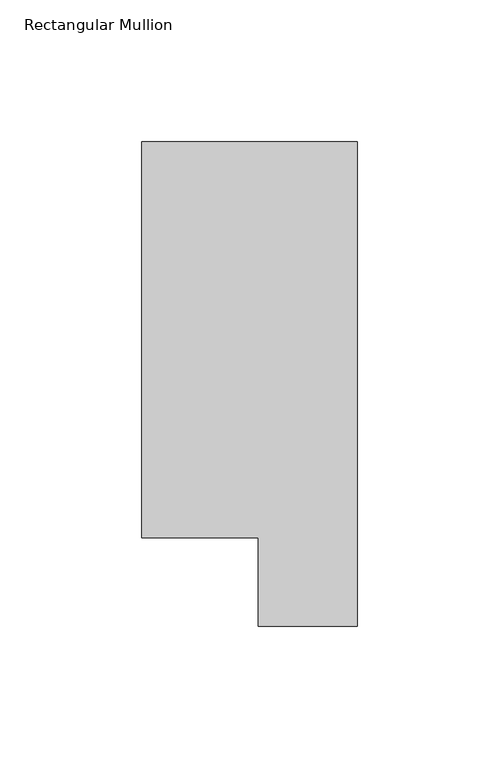
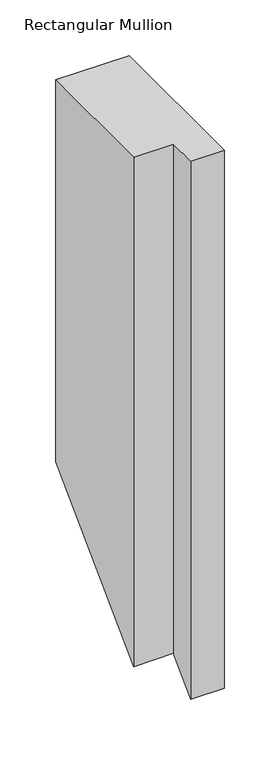
"""IFC4 building model written with IfcOpenShell, lengths in millimetres: member geometry, Rectangular Mullion."""

from ifc_helpers import new_model, si_unit, origin, place, context, project, spatial, faceted_brep, source, transform, mapped, element, save


def rectangular_mullion_0a1800b5(model_context):
    return source(origin(), model_context, "Body", "Brep", [
        faceted_brep([(-76.2, 190.7881317, 0.0), (-76.2, 50.8087306, 0.0), (-34.9123, 50.8087306, 0.0), (-34.9123, 19.5667317, 0.0), (0.0, 19.5667317, 0.0), (0.0, 190.7881317, 0.0), (-76.2, 190.7881317, -418.7801183), (-76.2, 50.8087306, -558.7595194), (-34.9123, 50.8087306, -558.7595194), (-34.9123, 19.5667317, -590.0015183), (0.0, 19.5667317, -590.0015183), (0.0, 190.7881317, -418.7801183)], [[[0, 1, 2, 3, 4, 5]], [[1, 0, 6, 7]], [[2, 1, 7, 8]], [[3, 2, 8, 9]], [[4, 3, 9, 10]], [[5, 4, 10, 11]], [[0, 5, 11, 6]], [[6, 11, 10, 9, 8, 7]]]),
    ])


if __name__ == "__main__":
    model = new_model("IFC4")
    model_context = context("Model", 3, world=origin())
    ifc_project = project(units=[si_unit("LENGTHUNIT", "METRE", prefix="MILLI")], contexts=[model_context])
    site = spatial("IfcSite", under=ifc_project)
    building = spatial("IfcBuilding", under=site)
    placement = place(None, origin())
    rectangular_mullion_shape = rectangular_mullion_0a1800b5(model_context)
    element("IfcMember", 1, ObjectType="Rectangular Mullion", at=placement, inside=building, context=model_context, shape_type="MappedRepresentation", body=[
        mapped(rectangular_mullion_shape, transform((0.0, 0.0, 0.0), x_axis=(1.0, 0.0, 0.0), y_axis=(0.0, 1.0, 0.0), z_axis=(0.0, 0.0, 1.0))),
    ])
    save(model, "model.ifc")
